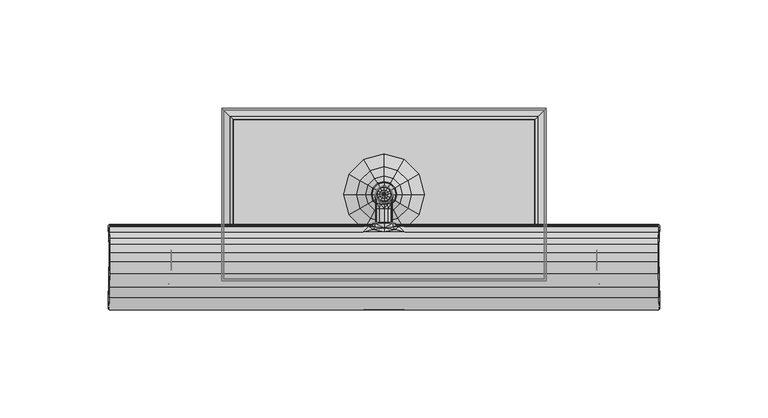
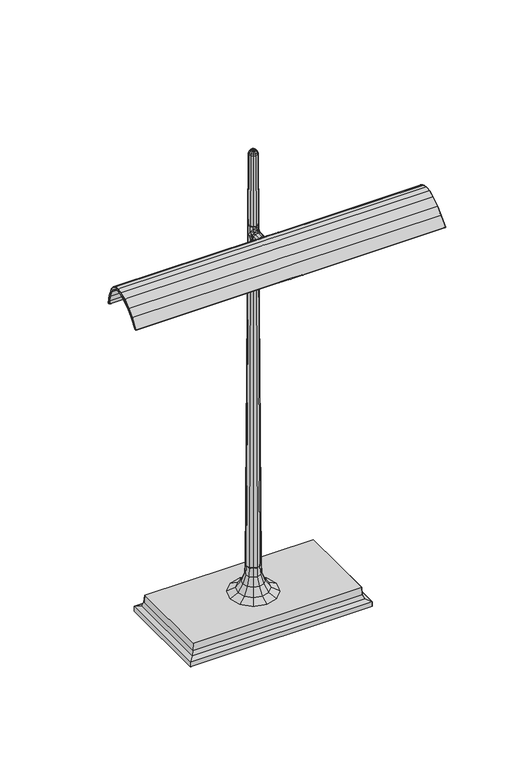
"""IFC4 building model written with IfcOpenShell, lengths in millimetres: furniture geometry."""

from ifc_helpers import new_model, si_unit, origin, place, context, project, spatial, triangles, source, transform, mapped, element, save


def furniture_6f45a37e(model_context):
    return source(origin(), model_context, "Body", "Tessellation", [
        triangles([(-127.7198477, -7.7839379, 320.2980002), (-127.7197568, -8.7874792, 320.2978912), (-127.6392476, -9.027947, 323.3713955), (-127.6289557, -8.0919638, 323.7658845), (-127.5377548, -9.6711893, 327.2512095), (-127.5317959, -8.7425299, 327.4765592), (-127.3871554, -11.5855188, 332.5185479), (-127.3601948, -10.9753986, 333.710154), (-127.3046295, -14.0094385, 335.8616215), (-127.2857626, -13.6003792, 336.8733693), (-127.2614, -16.9895494, 337.8023824), (-127.2389631, -16.640579, 338.6584348), (-127.2471567, -20.1942207, 338.3441734), (-127.2617906, -24.1892757, 337.787921), (-127.2384817, -24.4719937, 338.6802721), (-127.2225942, -20.2577751, 339.285177), (-127.2978894, -29.7204152, 336.4088991), (-127.3195632, -29.2947916, 335.5814787), (-127.4356989, -35.3948372, 331.1442132), (-127.4137344, -35.8936417, 331.9826068), (-127.5526885, -39.9795955, 326.6803505), (-127.5368011, -40.6898628, 327.2851101), (-127.7197568, -45.1411899, 320.2980002), (-127.7188939, -46.3727327, 320.2980366), (-127.2190243, -7.7846044, 319.7841145), (-9.6875219, -7.7844284, 319.7840418), (-9.6875366, -8.787235, 319.7837511), (-127.2190243, -8.787222, 319.7835331), (-127.2191242, -9.287171, 320.2586494), (-9.6875889, -9.2871841, 320.2587221), (-9.6323585, -9.5204059, 323.1638137), (-127.1086749, -9.5205864, 323.1638137), (-127.0907709, -7.5985522, 323.973539), (-9.2641795, -7.5989241, 323.9735026), (-9.6875219, -7.2836863, 320.3104631), (-127.2190243, -7.2834785, 320.3104995), (-126.9967813, -8.2225387, 327.6028596), (-9.2641647, -8.2225529, 327.6028596), (-9.7196045, -10.1900382, 327.1251998), (-127.0036123, -10.1900246, 327.1251998), (-126.8277873, -10.7258033, 334.1877411), (-9.4919147, -10.7256262, 334.1878138), (-9.5141103, -11.8347393, 332.0419782), (-126.8721796, -11.8347291, 332.0419782), (-126.7483408, -13.3977753, 337.3704683), (-9.452196, -13.3978332, 337.3704683), (-9.4684679, -14.210882, 335.3655035), (-126.780897, -14.2108831, 335.3654308), (-126.6867258, -20.2939807, 339.8207548), (-9.4213811, -20.2939875, 339.8208638), (-9.4257175, -16.4409205, 339.1462684), (-126.6953826, -16.4441396, 339.1370029), (-9.4416543, -17.1909542, 337.3097526), (-126.7272574, -17.1909962, 337.3097526), (-126.7570067, -29.9599945, 336.8760218), (-9.456542, -29.9628332, 336.8812903), (-9.4249584, -24.6312023, 339.1815496), (-126.6938474, -24.6283773, 339.1709035), (-126.7132049, -20.1580129, 337.8135736), (-9.4346207, -20.1581219, 337.8136826), (-9.4462371, -24.0257546, 337.2711285), (-126.7364048, -24.0228796, 337.2610637), (-126.8234543, -36.1497852, 332.4226235), (-9.4897653, -36.1533983, 332.4269111), (-126.7857114, -29.0521329, 335.1079974), (-9.4708921, -29.0521057, 335.1079974), (-9.5295362, -35.1282723, 330.6896625), (-126.9030007, -35.128295, 330.6896625), (-126.9990977, -41.0931449, 327.6283304), (-9.5775858, -41.0956111, 327.6306559), (-9.587025, -39.5743695, 326.3349137), (-127.0179737, -39.5743922, 326.3348774), (-127.2191242, -46.7820872, 320.5741462), (-9.6876014, -46.7819147, 320.5741462), (-9.6875423, -44.7351237, 319.9916963), (-127.2190243, -44.7349193, 319.9916236), (-127.2190243, -45.141031, 319.7838238), (-9.6875276, -45.1412399, 319.7838964), (-9.6875423, -46.3727917, 319.7839691), (-127.2190243, -46.3727781, 319.7839691), (-127.6062281, -7.7841275, 319.9671701), (-127.5778142, -8.7869319, 319.9353407), (1.36e-05, -8.7872333, 319.7839691), (1.35e-05, -9.2871824, 320.2588311), (-127.582029, -45.1413217, 319.9401369), (-127.6011503, -46.3728735, 319.9611749), (8e-06, -46.3727872, 319.7839691), (7.9e-06, -46.7817148, 320.5741462), (1.37e-05, -7.7842326, 319.7839691), (1.35e-05, -9.520214, 323.16385), (1.34e-05, -10.1900359, 327.1251998), (1.31e-05, -11.8347405, 332.0419782), (1.29e-05, -13.3978797, 337.3704683), (1.33e-05, -10.7254343, 334.1878501), (1.28e-05, -14.2108684, 335.3655398), (1.19e-05, -20.2939784, 339.8209365), (1.25e-05, -16.4376912, 339.1554611), (1.23e-05, -17.1908963, 337.3097526), (1.04e-05, -29.9656673, 336.8864862), (1.12e-05, -24.634016, 339.1921595), (1.19e-05, -20.1582127, 337.8137552), (1.13e-05, -24.0286205, 337.2811933), (9.5e-06, -36.1569977, 332.4312349), (1.06e-05, -29.0520739, 335.1079974), (9.7e-06, -35.128236, 330.6896625), (8.8e-06, -41.0980592, 327.6329813), (9e-06, -39.5743332, 326.3349137), (8.2e-06, -44.7353145, 319.9917689), (8.2e-06, -45.1414261, 319.7839691), (1.38e-05, -7.2838776, 320.3104268), (-5.2820682, -9.4820997, 331.6901101), (-7.017189, -8.2244974, 327.6023872), (-5.8402356, -7.6024373, 323.9719402), (-3.1077426, -7.3709482, 321.6809464), (1.33e-05, -10.5856354, 333.820031), (1.38e-05, -7.3406249, 320.9701976), (-2.4710011, -7.1683448, 322.4879828), (1.38e-05, -7.1090274, 322.0168997), (-4.8038225, -7.322802, 324.4620993), (-5.7017141, -7.7337837, 327.6279671), (-4.3263001, -8.3677833, 330.795579), (1.36e-05, -8.8273029, 332.8524302), (-2.146856, -6.3582766, 323.2982895), (1.4e-05, -6.3450711, 322.8446108), (-4.1429038, -6.3779611, 325.0063611), (-5.0094581, -6.4264939, 327.7972881), (-4.1678929, -6.4546126, 330.5832009), (1.39e-05, -6.454352, 332.80534), (-1.5807757, -6.2577456, 324.2867466), (1.4e-05, -6.2576344, 323.6601497), (-2.8015982, -6.2574033, 325.9943822), (-2.8016725, -6.2577871, 327.7972518), (-2.8016353, -6.2574033, 329.4283659), (1.4e-05, -6.2575305, 331.0950883), (127.7198658, -7.7840055, 320.2980366), (127.6289648, -8.0920348, 323.7659208), (127.6392476, -9.028014, 323.3713955), (127.719775, -8.7875461, 320.2979276), (127.5317777, -8.7425969, 327.4765592), (127.537773, -9.6712597, 327.2512095), (127.360213, -10.9754656, 333.710154), (127.3871554, -11.5855858, 332.5185479), (127.2857626, -13.6004462, 336.8733693), (127.3046295, -14.0095055, 335.8616578), (127.2389722, -16.640646, 338.6584348), (127.2614182, -16.9896164, 337.8024187), (127.2471385, -20.1942888, 338.3441734), (127.2225851, -20.257841, 339.2852134), (127.2384999, -24.4720618, 338.6803084), (127.2617997, -24.1893416, 337.7879574), (127.2978894, -29.720481, 336.4089355), (127.4137344, -35.8937075, 331.9826431), (127.4356989, -35.3949076, 331.1442495), (127.3195632, -29.294862, 335.581515), (127.5368192, -40.6899309, 327.2851464), (127.5527067, -39.9796682, 326.6803868), (127.718912, -46.3728008, 320.2980729), (127.719775, -45.1412581, 320.2980366), (127.2190334, -7.7846765, 319.7841508), (127.2190334, -8.7872895, 319.7835694), (9.6875571, -8.787239, 319.7837511), (9.6875423, -7.7844313, 319.7840418), (127.2191242, -9.287238, 320.2586858), (127.1086749, -9.5206534, 323.1638137), (9.6323767, -9.5204099, 323.1638137), (9.6876014, -9.287188, 320.2587221), (127.0907709, -7.5986204, 323.9735753), (127.2190334, -7.2835466, 320.3105358), (9.6875423, -7.2836891, 320.3104631), (9.2641999, -7.5989304, 323.9735026), (126.9967995, -8.2226097, 327.6028959), (9.2641852, -8.2225586, 327.6028959), (127.0036214, -10.1900916, 327.1252361), (9.7196227, -10.1900416, 327.1251998), (126.8277873, -10.7258703, 334.1877774), (9.4919335, -10.7256307, 334.1878501), (126.8721705, -11.8347961, 332.0420145), (9.5141211, -11.8347461, 332.0419782), (126.7483408, -13.3978423, 337.3704683), (9.4522068, -13.3978366, 337.3704683), (126.7808788, -14.2109501, 335.3654672), (9.4684792, -14.2108854, 335.3655035), (126.6867076, -20.2940488, 339.8207911), (126.6953826, -16.4442066, 339.1370029), (9.4257266, -16.4409285, 339.1462684), (9.4213902, -20.2939943, 339.8208638), (126.7272665, -17.1910655, 337.3097889), (9.4416708, -17.1909576, 337.3097526), (126.7570067, -29.9600604, 336.8760581), (126.6938293, -24.6284431, 339.1709398), (9.4249658, -24.6312091, 339.1815496), (9.4565551, -29.9628422, 336.8812903), (126.7132049, -20.1580833, 337.8136099), (126.7364139, -24.0229455, 337.2611), (9.4462445, -24.0257614, 337.2711285), (9.4346377, -20.1581241, 337.8136826), (126.8234725, -36.149851, 332.4226235), (9.4897693, -36.1533983, 332.4269111), (126.7857114, -29.0521988, 335.1079974), (126.9029825, -35.1283632, 330.6896988), (9.5295407, -35.1282723, 330.6896625), (9.4709051, -29.0521125, 335.1079974), (126.9990977, -41.093213, 327.6283304), (9.577596, -41.0956111, 327.6306559), (127.0179555, -39.5744603, 326.3349137), (9.5870295, -39.5743695, 326.3349137), (9.6876104, -46.7819147, 320.5741462), (127.2191242, -46.7821554, 320.5741825), (127.2190334, -44.7349829, 319.9916599), (9.6875514, -44.7351237, 319.9916963), (127.2190334, -45.1410991, 319.7838238), (127.2190334, -46.3728508, 319.7839691), (9.6875514, -46.3727917, 319.7839691), (9.6875366, -45.1412399, 319.7838964), (127.5778233, -8.7869989, 319.9353407), (127.6062281, -7.7841996, 319.9671701), (127.6011957, -46.3729416, 319.9611749), (127.582029, -45.1413898, 319.9401732), (7.0172089, -8.2244997, 327.6023872), (5.2820875, -9.4821014, 331.6901101), (5.840256, -7.6024395, 323.9719402), (3.1077551, -7.3709493, 321.6809464), (2.4710136, -7.1683454, 322.4879828), (4.8038356, -7.3228043, 324.4620993), (5.7017345, -7.7337854, 327.6279671), (4.3263123, -8.367785, 330.795579), (2.146869, -6.3582778, 323.2982895), (4.1429242, -6.3779617, 325.0063611), (5.0094712, -6.4264956, 327.7972881), (4.1679133, -6.4546137, 330.5832009), (1.5808036, -6.2577468, 324.2867466), (2.8016112, -6.2574039, 325.9943822), (2.8016856, -6.2577877, 327.7972518), (2.8016558, -6.2574039, 329.4283659)], [[1, 2, 3], [3, 4, 1], [4, 3, 5], [5, 6, 4], [6, 5, 7], [7, 8, 6], [8, 7, 9], [9, 10, 8], [10, 9, 11], [11, 12, 10], [13, 14, 15], [15, 16, 13], [17, 18, 19], [19, 20, 17], [20, 19, 21], [21, 22, 20], [22, 21, 23], [23, 24, 22], [13, 16, 12], [12, 11, 13], [18, 17, 15], [15, 14, 18], [25, 26, 27], [27, 28, 25], [29, 30, 31], [31, 32, 29], [33, 34, 35], [35, 36, 33], [37, 38, 34], [34, 33, 37], [32, 31, 39], [39, 40, 32], [41, 42, 38], [38, 37, 41], [40, 39, 43], [43, 44, 40], [45, 46, 42], [42, 41, 45], [44, 43, 47], [47, 48, 44], [49, 50, 51], [51, 52, 49], [48, 47, 53], [53, 54, 48], [55, 56, 57], [57, 58, 55], [59, 60, 61], [61, 62, 59], [63, 64, 56], [56, 55, 63], [65, 66, 67], [67, 68, 65], [69, 70, 64], [64, 63, 69], [68, 67, 71], [71, 72, 68], [69, 73, 74], [74, 70, 69], [72, 71, 75], [75, 76, 72], [77, 78, 79], [79, 80, 77], [52, 51, 46], [46, 45, 52], [54, 53, 60], [60, 59, 54], [58, 57, 50], [50, 49, 58], [62, 61, 66], [66, 65, 62], [2, 1, 81], [81, 82, 2], [35, 26, 25], [25, 36, 35], [30, 27, 83], [83, 84, 30], [24, 23, 85], [85, 86, 24], [75, 78, 77], [77, 76, 75], [74, 79, 87], [87, 88, 74], [2, 29, 32], [32, 3, 2], [4, 33, 36], [36, 1, 4], [6, 37, 33], [33, 4, 6], [3, 32, 40], [40, 5, 3], [8, 41, 37], [37, 6, 8], [5, 40, 44], [44, 7, 5], [10, 45, 41], [41, 8, 10], [7, 44, 48], [48, 9, 7], [16, 49, 52], [52, 12, 16], [9, 48, 54], [54, 11, 9], [17, 55, 58], [58, 15, 17], [13, 59, 62], [62, 14, 13], [20, 63, 55], [55, 17, 20], [18, 65, 68], [68, 19, 18], [22, 69, 63], [63, 20, 22], [19, 68, 72], [72, 21, 19], [24, 73, 69], [69, 22, 24], [21, 72, 76], [76, 23, 21], [12, 52, 45], [45, 10, 12], [11, 54, 59], [59, 13, 11], [15, 58, 49], [49, 16, 15], [14, 62, 65], [65, 18, 14], [29, 2, 82], [82, 28, 29], [1, 36, 25], [25, 81, 1], [73, 24, 86], [86, 80, 73], [23, 76, 77], [77, 85, 23], [86, 85, 77], [77, 80, 86], [28, 82, 81], [81, 25, 28], [89, 83, 27], [27, 26, 89], [84, 90, 31], [31, 30, 84], [90, 91, 39], [39, 31, 90], [91, 92, 43], [43, 39, 91], [93, 94, 42], [42, 46, 93], [92, 95, 47], [47, 43, 92], [96, 97, 51], [51, 50, 96], [95, 98, 53], [53, 47, 95], [99, 100, 57], [57, 56, 99], [101, 102, 61], [61, 60, 101], [103, 99, 56], [56, 64, 103], [104, 105, 67], [67, 66, 104], [106, 103, 64], [64, 70, 106], [105, 107, 71], [71, 67, 105], [88, 106, 70], [70, 74, 88], [107, 108, 75], [75, 71, 107], [109, 87, 79], [79, 78, 109], [97, 93, 46], [46, 51, 97], [98, 101, 60], [60, 53, 98], [100, 96, 50], [50, 57, 100], [102, 104, 66], [66, 61, 102], [110, 89, 26], [26, 35, 110], [29, 28, 27], [27, 30, 29], [108, 109, 78], [78, 75, 108], [73, 80, 79], [79, 74, 73], [42, 111, 112], [112, 38, 42], [112, 113, 34], [34, 38, 112], [113, 114, 35], [35, 34, 113], [42, 94, 115], [115, 111, 42], [114, 116, 110], [110, 35, 114], [114, 117, 118], [118, 116, 114], [114, 113, 119], [119, 117, 114], [113, 112, 120], [120, 119, 113], [112, 111, 121], [121, 120, 112], [111, 115, 122], [122, 121, 111], [117, 123, 124], [124, 118, 117], [125, 123, 117], [117, 119, 125], [126, 125, 119], [119, 120, 126], [127, 126, 120], [120, 121, 127], [122, 128, 127], [127, 121, 122], [124, 123, 129], [129, 130, 124], [129, 123, 125], [125, 131, 129], [125, 126, 132], [132, 131, 125], [126, 127, 133], [133, 132, 126], [127, 128, 134], [134, 133, 127], [135, 136, 137], [137, 138, 135], [136, 139, 140], [140, 137, 136], [139, 141, 142], [142, 140, 139], [141, 143, 144], [144, 142, 141], [143, 145, 146], [146, 144, 143], [147, 148, 149], [149, 150, 147], [151, 152, 153], [153, 154, 151], [152, 155, 156], [156, 153, 152], [155, 157, 158], [158, 156, 155], [147, 146, 145], [145, 148, 147], [154, 150, 149], [149, 151, 154], [159, 160, 161], [161, 162, 159], [163, 164, 165], [165, 166, 163], [167, 168, 169], [169, 170, 167], [171, 167, 170], [170, 172, 171], [164, 173, 174], [174, 165, 164], [175, 171, 172], [172, 176, 175], [173, 177, 178], [178, 174, 173], [179, 175, 176], [176, 180, 179], [177, 181, 182], [182, 178, 177], [183, 184, 185], [185, 186, 183], [181, 187, 188], [188, 182, 181], [189, 190, 191], [191, 192, 189], [193, 194, 195], [195, 196, 193], [197, 189, 192], [192, 198, 197], [199, 200, 201], [201, 202, 199], [203, 197, 198], [198, 204, 203], [200, 205, 206], [206, 201, 200], [203, 204, 207], [207, 208, 203], [205, 209, 210], [210, 206, 205], [211, 212, 213], [213, 214, 211], [184, 179, 180], [180, 185, 184], [187, 193, 196], [196, 188, 187], [190, 183, 186], [186, 191, 190], [194, 199, 202], [202, 195, 194], [138, 215, 216], [216, 135, 138], [169, 168, 159], [159, 162, 169], [166, 84, 83], [83, 161, 166], [157, 217, 218], [218, 158, 157], [210, 209, 211], [211, 214, 210], [207, 88, 87], [87, 213, 207], [138, 137, 164], [164, 163, 138], [136, 135, 168], [168, 167, 136], [139, 136, 167], [167, 171, 139], [137, 140, 173], [173, 164, 137], [141, 139, 171], [171, 175, 141], [140, 142, 177], [177, 173, 140], [143, 141, 175], [175, 179, 143], [142, 144, 181], [181, 177, 142], [148, 145, 184], [184, 183, 148], [144, 146, 187], [187, 181, 144], [151, 149, 190], [190, 189, 151], [147, 150, 194], [194, 193, 147], [152, 151, 189], [189, 197, 152], [154, 153, 200], [200, 199, 154], [155, 152, 197], [197, 203, 155], [153, 156, 205], [205, 200, 153], [157, 155, 203], [203, 208, 157], [156, 158, 209], [209, 205, 156], [145, 143, 179], [179, 184, 145], [146, 147, 193], [193, 187, 146], [149, 148, 183], [183, 190, 149], [150, 154, 199], [199, 194, 150], [163, 160, 215], [215, 138, 163], [135, 216, 159], [159, 168, 135], [208, 212, 217], [217, 157, 208], [158, 218, 211], [211, 209, 158], [217, 212, 211], [211, 218, 217], [160, 159, 216], [216, 215, 160], [89, 162, 161], [161, 83, 89], [84, 166, 165], [165, 90, 84], [90, 165, 174], [174, 91, 90], [91, 174, 178], [178, 92, 91], [93, 180, 176], [176, 94, 93], [92, 178, 182], [182, 95, 92], [96, 186, 185], [185, 97, 96], [95, 182, 188], [188, 98, 95], [99, 192, 191], [191, 100, 99], [101, 196, 195], [195, 102, 101], [103, 198, 192], [192, 99, 103], [104, 202, 201], [201, 105, 104], [106, 204, 198], [198, 103, 106], [105, 201, 206], [206, 107, 105], [88, 207, 204], [204, 106, 88], [107, 206, 210], [210, 108, 107], [109, 214, 213], [213, 87, 109], [97, 185, 180], [180, 93, 97], [98, 188, 196], [196, 101, 98], [100, 191, 186], [186, 96, 100], [102, 195, 202], [202, 104, 102], [110, 169, 162], [162, 89, 110], [163, 166, 161], [161, 160, 163], [108, 210, 214], [214, 109, 108], [208, 207, 213], [213, 212, 208], [176, 172, 219], [219, 220, 176], [219, 172, 170], [170, 221, 219], [221, 170, 169], [169, 222, 221], [176, 220, 115], [115, 94, 176], [222, 169, 110], [110, 116, 222], [222, 116, 118], [118, 223, 222], [222, 223, 224], [224, 221, 222], [221, 224, 225], [225, 219, 221], [219, 225, 226], [226, 220, 219], [220, 226, 122], [122, 115, 220], [223, 118, 124], [124, 227, 223], [228, 224, 223], [223, 227, 228], [229, 225, 224], [224, 228, 229], [230, 226, 225], [225, 229, 230], [122, 226, 230], [230, 128, 122], [124, 130, 231], [231, 227, 124], [231, 232, 228], [228, 227, 231], [228, 232, 233], [233, 229, 228], [229, 233, 234], [234, 230, 229], [230, 234, 134], [134, 128, 230]], closed=False),
        triangles([(-98.3945482, -19.012751, 323.0471784), (-96.4062703, -17.1047006, 322.4880919), (-96.4062703, -17.6963285, 321.2349343), (-98.3945482, -19.6075877, 321.782975), (-98.3945573, -28.5386582, 324.3439379), (-96.4062703, -30.4499174, 324.8919785), (-96.4062703, -29.7773998, 326.2014916), (-98.3945573, -27.8693449, 325.6423688), (96.4069061, -17.696383, 321.2349343), (96.406888, -30.4499719, 324.8920149), (98.3952023, -19.6076422, 321.7830113), (98.3952023, -19.0128055, 323.0472147), (98.3951569, -27.8693994, 325.6424051), (98.3951569, -28.5387127, 324.3439379), (96.4069061, -17.1047506, 322.4880919), (96.406888, -29.7774543, 326.201528)], [[1, 2, 3], [3, 4, 1], [5, 6, 7], [7, 8, 5], [3, 9, 10], [10, 6, 3], [11, 12, 13], [13, 14, 11], [3, 2, 15], [15, 9, 3], [9, 11, 14], [14, 10, 9], [12, 11, 9], [9, 15, 12], [14, 13, 16], [16, 10, 14], [4, 5, 8], [8, 1, 4], [7, 6, 10], [10, 16, 7], [3, 6, 5], [5, 4, 3]], closed=False),
        triangles([(2.8066345, 5.1502727, 398.3240516), (3.2395731, 6.7660131, 398.3240516), (2.0421008, 6.7660131, 399.7960184), (1.7696031, 5.7490052, 399.7960184), (1.7696035, 7.7830102, 399.7960184), (0.0080923, 6.7660137, 400.5000815), (1.0250968, 8.5275023, 399.7960184), (0.0080926, 8.8000113, 399.7960184), (-1.0088967, 8.5275023, 399.7960184), (-1.7534036, 7.7830108, 399.7960184), (-2.0259013, 6.7660143, 399.7960184), (-1.7534039, 5.7490138, 399.7960184), (-1.0088973, 5.0045138, 399.7960184), (0.008092, 4.732009, 399.7960184), (1.0250963, 5.0045138, 399.7960184), (3.723965, 6.7660131, 319.963682), (3.7249932, 6.7660131, 319.6029845), (3.2270267, 8.6244594, 319.6029845), (3.2261325, 8.6239416, 319.963682), (1.8665359, 9.9849363, 319.6029845), (1.8660292, 9.9840427, 319.963682), (0.0080929, 10.4829039, 319.6029845), (0.0080929, 10.4818786, 319.963682), (-1.8503353, 9.9849363, 319.6029845), (-1.8498435, 9.9840427, 319.963682), (-3.2108264, 8.6244616, 319.6029845), (-3.2099322, 8.6239439, 319.963682), (-3.7087938, 6.7660182, 319.6029845), (-3.7077582, 6.7660182, 319.963682), (-3.210827, 4.9075714, 319.6029845), (-3.2099331, 4.9080818, 319.963682), (-1.8503362, 3.5470911, 319.6029845), (-1.8498445, 3.5479853, 319.963682), (0.0080918, 3.049124, 319.6029845), (0.0080918, 3.0501559, 319.963682), (1.8665349, 3.5470908, 319.6029845), (1.8660283, 3.5479847, 319.963682), (3.2270258, 4.9075703, 319.6029845), (3.2261319, 4.9080807, 319.963682), (3.722758, 6.7660131, 335.9927181), (3.723965, 6.7660131, 335.632057), (3.2261325, 8.6239416, 335.632057), (3.2250896, 8.6233381, 335.9927181), (1.8660292, 9.9840427, 335.632057), (1.8654332, 9.9829958, 335.9927181), (0.0080929, 10.4818786, 335.632057), (0.0080929, 10.4806648, 335.9927181), (-1.8498286, 9.9840427, 335.632057), (-1.8492326, 9.9829958, 335.9927181), (-3.2099322, 8.6239439, 335.632057), (-3.2088816, 8.6233404, 335.9927181), (-3.7077582, 6.7660143, 335.632057), (-3.7065586, 6.7660143, 335.9927181), (-3.2099331, 4.9080892, 335.632057), (-3.2088825, 4.9086887, 335.9927181), (-1.8498445, 3.5479853, 335.632057), (-1.8492335, 3.5490322, 335.9927181), (0.0080918, 3.0501522, 335.632057), (0.0080918, 3.0513629, 335.9927181), (1.8660283, 3.5479811, 335.632057), (1.8654173, 3.5490316, 335.9927181), (3.2261319, 4.9080807, 335.632057), (3.2250887, 4.9086842, 335.9927181), (3.4367605, 8.7455503, 319.964336), (3.9671818, 6.7660131, 319.964336), (3.4367599, 4.7864726, 319.964336), (1.9876366, 3.3373534, 319.964336), (0.0080917, 2.8069428, 319.964336), (-1.971438, 3.3373573, 319.964336), (-3.4205608, 4.7864805, 319.964336), (-3.950975, 6.7660182, 319.964336), (-3.4205602, 8.745552, 319.964336), (-1.9714369, 10.1946709, 319.964336), (0.0080929, 10.725088, 319.964336), (1.9876377, 10.1946709, 319.964336), (3.9681949, 6.7660131, 319.6037476), (3.4376547, 8.7460681, 319.6037476), (1.9881444, 10.1955611, 319.6037476), (0.0080929, 10.7261167, 319.6037476), (-1.9719436, 10.1955611, 319.6037476), (-3.4214541, 8.7460698, 319.6037476), (-3.9520032, 6.7660182, 319.6037476), (-3.4214549, 4.7859628, 319.6037476), (-1.9719447, 3.3364671, 319.6037476), (0.0080917, 2.8059146, 319.6037476), (1.9881431, 3.3364629, 319.6037476), (3.4376538, 4.7859622, 319.6037476), (3.4357025, 8.7449468, 335.9935175), (3.9659598, 6.7660131, 335.9935175), (3.435702, 4.7870835, 335.9935175), (1.9870256, 3.3384037, 335.9935175), (0.0080917, 2.8081535, 335.9935175), (-1.9708271, 3.3384042, 335.9935175), (-3.4195028, 4.787084, 335.9935175), (-3.9497603, 6.7660182, 335.9935175), (-3.4195022, 8.7449485, 335.9935175), (-1.970826, 10.193624, 335.9935175), (0.0080929, 10.7238776, 335.9935175), (1.9870268, 10.193624, 335.9935175), (3.9671818, 6.7660131, 335.6328564), (3.4367605, 8.7455503, 335.6328564), (1.9876377, 10.1946709, 335.6328564), (0.0080929, 10.725088, 335.6328564), (-1.9714369, 10.1946709, 335.6328564), (-3.4205602, 8.745552, 335.6328564), (-3.950975, 6.7660182, 335.6328564), (-3.4205608, 4.7864805, 335.6328564), (-1.971438, 3.3373573, 335.6328564), (0.0080917, 2.8069428, 335.6328564), (1.9876366, 3.3373534, 335.6328564), (3.4367599, 4.7864726, 335.6328564), (0.0080917, 2.8069428, 334.6944689), (-1.971438, 3.3373573, 333.8170515), (-3.4205608, 4.7864805, 331.1740079), (-3.950975, 6.7660182, 327.8058269), (-3.4205608, 4.7864805, 324.4247469), (-1.971438, 3.3373573, 321.8358788), (0.0080917, 2.8069428, 320.9118799), (1.9876366, 3.3373534, 321.8358788), (3.4367599, 4.7864726, 324.4247469), (3.9671818, 6.7660131, 327.8058269), (3.4367599, 4.7864726, 331.1740079), (1.9876366, 3.3373534, 333.8170515), (-1.6619262, 2.2178518, 331.7532967), (0.0078532, 1.9717217, 332.4883172), (-3.2586824, 2.8090965, 329.8584995), (-3.8570533, 3.2354896, 327.8058269), (-3.2613272, 2.8083255, 325.7408366), (-1.6909685, 2.190117, 323.8349573), (0.0077191, 1.9281991, 323.0689794), (1.705185, 2.1935847, 323.8443681), (3.2700604, 2.8106379, 325.7558793), (3.856883, 3.2358723, 327.8058632), (3.267989, 2.8106379, 329.8440745), (1.6732667, 2.2209322, 331.746175), (0.0080913, -0.1004636, 331.6556645), (-1.9714386, -0.1004633, 331.1135828), (-1.9714394, -6.0560774, 331.1135828), (0.0080904, -6.0560779, 331.6556645), (-3.4205616, -0.1004631, 329.576867), (-3.4205625, -6.0560774, 329.576867), (-3.8571879, -0.1004631, 327.8058269), (-3.857189, -6.0560774, 327.8058269), (-3.4205616, -0.1004631, 326.0243222), (-3.4205625, -6.0560774, 326.0243222), (-1.9714386, -0.1004633, 324.4740171), (-1.9714394, -6.0560774, 324.4740171), (0.0080913, -0.1004636, 323.9415278), (0.0080904, -6.0560779, 323.9415278), (1.9876362, -0.1004639, 324.4902952), (1.9876352, -6.0560785, 324.4902952), (3.4367591, -0.1004641, 326.0486303), (3.4367582, -6.0560785, 326.0486303), (3.8569718, -0.1004642, 327.8058269), (3.856971, -6.0560785, 327.8058269), (3.4367591, -0.1004641, 329.5532856), (3.4367582, -6.0560785, 329.5532856), (1.9876362, -0.1004639, 331.1068972), (1.9876352, -6.0560785, 331.1068972), (-71.0579311, 42.7607893, 6.2816138), (-71.0579447, -29.2264205, 6.2816138), (-69.8970917, -28.0658991, 9.2594696), (-69.897078, 41.6002633, 9.2594696), (69.897019, 41.6002406, 9.2594696), (71.0578629, 42.7607666, 6.2816138), (-75.0785704, 46.7821508, 0.500969), (-75.0785841, -33.2477866, 0.500969), (-75.0785704, -33.247605, 4.5080702), (-75.0785387, 46.7819646, 4.5080702), (-74.1411231, 45.844054, 0.5009676), (-74.1411368, -32.3096989, 0.5009676), (-74.1411368, 45.8440858, 9.18e-05), (-74.1411504, -32.3097193, 9.18e-05), (74.1410641, 45.8440313, 0.5009676), (74.1410777, 45.8440631, 9.18e-05), (-69.437077, 41.1399761, 15.5283672), (-69.4370952, -27.6056142, 15.5283672), (69.4370044, -27.6056369, 15.5283672), (69.437018, 41.1399534, 15.5283672), (69.8970054, -28.0659218, 9.2594696), (71.0578493, -29.2264432, 6.2816138), (75.0784796, 46.7819419, 4.5080702), (75.078525, 46.782119, 0.500969), (74.1410641, -32.3097398, 9.18e-05), (74.1410459, -32.3097148, 0.5009676), (75.0785114, -33.2478093, 0.500969), (75.078466, -33.2476277, 4.5080702), (-100.0137808, -28.826806, 331.1360015), (-100.0168511, -26.273771, 330.2839096), (-100.0947988, -28.5492839, 327.8917954), (-100.0932636, -31.6585759, 328.8424278), (-100.0286237, -16.5049587, 327.0234982), (-99.9071739, -17.0928702, 331.928831), (-99.9070559, -15.5181775, 331.4813656), (-100.032239, -13.5106374, 326.0241042), (-99.8650163, -17.9122254, 333.8067687), (-99.8702758, -17.2876814, 333.4261597), (-99.5924221, -31.9739386, 329.2192217), (-99.5130574, -29.1070328, 331.540737), (-100.1023837, -13.1504089, 323.1836889), (-99.6000888, -12.6713661, 323.2841552), (-99.6683077, -12.3100351, 320.4890133), (-100.1693582, -12.8065346, 320.4721902), (-99.4061326, -15.0972048, 331.7347295), (-99.5286178, -13.0498746, 326.2121741), (-99.9076826, -23.5803149, 333.7722141), (-99.406832, -23.7359058, 334.236539), (-99.3677083, -17.1692441, 333.9353582), (-99.8661336, -19.7566634, 334.2916228), (-99.3654737, -19.7168243, 334.777785), (-99.3637387, -17.6797507, 334.2357396), (-100.1691674, -30.7215055, 325.6091223), (-99.6692252, -30.8632506, 325.1148211), (-99.6692615, -34.5035421, 326.158689), (-100.1691311, -34.3617993, 326.6529539), (-99.6688709, -12.5137938, 320.0676727), (-99.6690435, -12.9482785, 319.9775983), (-99.6682078, -34.7107129, 327.0030779), (-99.6681533, -34.8424454, 326.4877387), (-98.7912083, -31.9739386, 329.2192217), (-98.7125703, -29.1070328, 331.540737), (-98.6073441, -23.7359058, 334.236539), (-98.5663764, -19.7168243, 334.777785), (-98.5681568, -17.6601184, 334.0957046), (-98.5685929, -17.1635111, 333.930998), (-98.8663763, -12.3100351, 320.4890133), (-98.8669213, -12.5137938, 320.0676727), (-98.8662128, -34.8424454, 326.4877387), (-98.8662582, -34.7107129, 327.0030779), (-98.8672756, -30.8632506, 325.1148211), (-98.867321, -34.5035421, 326.158689), (-98.8670848, -12.9482785, 319.9775983), (-98.8460469, -12.6705952, 323.2781962), (-98.6539619, -15.0970073, 331.7344388), (-98.7931613, -13.0498564, 326.2121741), (-100.1693127, -17.0218614, 321.68091), (-100.1006033, -16.7694127, 324.2901984), (-0.0002999, -12.3100464, 320.4890133), (-5.0409901, -12.5749955, 322.5385975), (-3.630275, -11.8940766, 323.4771667), (-0.0002997, -11.5824678, 322.3208055), (-6.9509985, -13.0476797, 326.2126828), (-5.3737999, -12.3335631, 326.8077046), (-5.0464443, -15.0725538, 331.6932713), (-3.847087, -13.8030115, 331.1942101), (-0.0003005, -16.4562948, 333.3952023), (-0.0003002, -14.4308506, 332.864784), (-3.2539308, -9.8363897, 323.9832041), (-0.0002995, -9.6176599, 322.8032616), (-5.0145848, -10.5286236, 327.7987052), (-3.5835669, -11.6452523, 331.3044868), (-0.0002999, -12.3526197, 332.8104996), (-0.0003028, -31.97395, 329.2192217), (-0.0003024, -29.1070442, 331.540737), (-0.0003016, -23.7359172, 334.2365753), (-0.000301, -19.7168357, 334.777785), (-0.0003009, -19.2646717, 334.5860816), (-98.566658, -19.3879041, 334.6687074), (-0.0002999, -12.5138051, 320.0676727), (-0.0003032, -34.8424545, 326.487775), (-0.0003032, -34.7107242, 327.0031142), (-0.0003, -12.9482853, 319.9775983), (-0.0003006, -17.1636133, 321.1863544), (-98.8671302, -17.1636042, 321.1863544), (-0.0003032, -34.5035535, 326.158689), (-99.9075736, -22.2914014, 333.4059574), (-99.8633358, -19.0526411, 334.2019117), (-99.3624852, -18.9702174, 334.6825147), (-99.6690798, -17.1636042, 321.1863544), (-0.0003006, -17.0913055, 333.6644809), (-0.0003026, -30.8632642, 325.1148211), (100.0131722, -28.8268605, 331.1360378), (100.0926459, -31.6586281, 328.8424642), (100.0941447, -28.5493384, 327.8918318), (100.0162425, -26.2738232, 330.2839459), (100.028006, -16.505012, 327.0235345), (100.0316122, -13.5106897, 326.0241405), (99.9064291, -15.5182332, 331.4814019), (99.9065744, -17.0929247, 331.9288673), (99.8696581, -17.2877347, 333.4261597), (99.8644077, -17.9122776, 333.8067687), (99.5124397, -29.1070873, 331.5407733), (99.5917862, -31.9739954, 329.219258), (100.101766, -13.1504646, 323.1837253), (100.1687314, -12.8065868, 320.4722265), (99.6677263, -12.3100873, 320.4890133), (99.5994983, -12.6714218, 323.2841552), (99.5280001, -13.0499302, 326.2121741), (99.4055149, -15.0972571, 331.7347658), (99.9070559, -23.5803694, 333.7722505), (99.4062234, -23.7359581, 334.2365753), (99.3670997, -17.1692986, 333.9353582), (99.8655068, -19.7567179, 334.2916228), (99.3648742, -19.7168788, 334.777785), (99.3631483, -17.6798052, 334.2357759), (100.1685315, -30.72156, 325.6091586), (100.1684861, -34.3618515, 326.6529902), (99.6686256, -34.5035989, 326.158689), (99.6685984, -30.8633051, 325.1148574), (99.668444, -12.9483341, 319.9775983), (99.6682532, -12.513846, 320.0677091), (99.6675719, -34.7107696, 327.0031142), (99.6675265, -34.8424976, 326.487775), (98.7119435, -29.1070873, 331.5407733), (98.7905633, -31.9739954, 329.219258), (98.6067537, -23.7359581, 334.2365753), (98.5657678, -19.7168788, 334.777785), (98.5679933, -17.1635656, 333.9310344), (98.5675573, -17.660173, 334.0957046), (98.8663127, -12.513846, 320.0677091), (98.8657768, -12.3100873, 320.4890133), (98.8656314, -34.7107696, 327.0031142), (98.8655769, -34.8424976, 326.487775), (98.8666942, -34.5035989, 326.158689), (98.8666488, -30.8633051, 325.1148574), (98.8665035, -12.9483341, 319.9775983), (98.8454655, -12.6706508, 323.2782326), (98.7925527, -13.049912, 326.2121741), (98.6533624, -15.0970595, 331.7344388), (100.0999765, -16.7694672, 324.2901984), (100.168686, -17.0219148, 321.68091), (3.6296678, -11.8940778, 323.477203), (5.0403906, -12.5749978, 322.5385975), (6.9503916, -13.0476808, 326.2126828), (5.373193, -12.3335654, 326.807741), (5.0458289, -15.072555, 331.6933076), (3.8464793, -13.8030138, 331.1942465), (3.2533094, -9.836392, 323.9832041), (5.0139711, -10.5286247, 327.7987415), (3.5829529, -11.6452546, 331.3045232), (98.5660676, -19.3879586, 334.6687437), (98.8665216, -17.1636587, 321.1863908), (99.906965, -22.2914559, 333.4059937), (99.8627272, -19.0526956, 334.2019481), (99.3618947, -18.9702719, 334.682551), (99.6684894, -17.1636587, 321.1863544), (17.0870293, 16.6265458, 15.5306779), (11.1407512, 13.1934568, 19.0898935), (12.862981, 6.7660154, 19.0898935), (19.7291532, 6.7660148, 15.5306779), (9.8686257, 23.8449517, 15.5306779), (6.4355311, 17.8986736, 19.0898935), (0.0080953, 26.487071, 15.5306779), (0.0080943, 19.6209067, 19.0898935), (-9.8524203, 23.8449562, 15.5306779), (-6.4193427, 17.898677, 19.0898935), (-17.0708353, 16.6265503, 15.5306779), (-11.1245572, 13.1934636, 19.0898935), (-19.7129524, 6.7660205, 15.5306779), (-12.8467824, 6.7660194, 19.0898935), (-17.0708376, -3.094503, 15.5306779), (-11.1245583, 0.3385821, 19.0898935), (-9.8524407, -10.3129095, 15.5306779), (-6.4193461, -4.3666354, 19.0898935), (0.0080894, -12.9550323, 15.5306779), (0.0080904, -6.088868, 19.0898935), (9.8686053, -10.3129209, 15.5306779), (6.4355276, -4.3666411, 19.0898935), (17.0870123, -3.0945229, 15.5306779), (11.1407489, 0.3385676, 19.0898935), (5.563841, 6.7660165, 39.952971), (4.8195289, 9.5438874, 39.952971), (2.7859673, 11.5774354, 39.952971), (0.0080932, 12.3217667, 39.952971), (-2.7697741, 11.5774354, 39.952971), (-4.8033207, 9.5438897, 39.952971), (-5.5476418, 6.7660182, 39.952971), (-4.8033218, 3.9881477, 39.952971), (-2.7697755, 1.9546007, 39.952971), (0.0080915, 1.2102686, 39.952971), (2.7859662, 1.9545997, 39.952971), (4.819513, 3.988142, 39.952971), (5.2320077, 9.7820485, 32.0304963), (6.0401422, 6.7660165, 32.0305008), (8.4742318, 6.766016, 25.1949942), (7.3399709, 10.9990788, 25.1949942), (3.024133, 11.9899283, 32.0304963), (4.2411559, 14.0978949, 25.1949942), (0.0080932, 12.7980742, 32.0305008), (0.0080936, 15.2321462, 25.1949942), (-3.0079315, 11.9899283, 32.0304963), (-4.2249536, 14.0979006, 25.1949942), (-5.2158148, 9.7820508, 32.0304963), (-7.3237774, 10.9990811, 25.1949942), (-6.0239498, 6.7660182, 32.0305008), (-8.4580247, 6.7660188, 25.1949942), (-5.2158159, 3.7499934, 32.0305008), (-7.3237785, 2.5329602, 25.1949942), (-3.0079332, 1.5421067, 32.0305008), (-4.2249709, -0.5658598, 25.1949942), (0.0080914, 0.7339641, 32.0304963), (0.0080911, -1.700107, 25.1949942), (3.0241165, 1.5421059, 32.0305008), (4.2411536, -0.5658648, 25.1949942), (5.2320066, 3.7499883, 32.0305008), (7.3399697, 2.5329466, 25.1949942), (4.8299746, 9.5499292, 39.5926687), (5.5759258, 6.7660165, 39.5926687), (2.7920174, 11.5878953, 39.5926687), (0.0080932, 12.3338436, 39.5926687), (-2.7758165, 11.5878953, 39.5926687), (-4.8137738, 9.5499315, 39.5926687), (-5.5597266, 6.7660182, 39.5926687), (-4.8137749, 3.9821053, 39.5926687), (-2.7758179, 1.9441401, 39.5926687), (0.0080915, 1.1981949, 39.5926687), (2.7920159, 1.9441392, 39.5926687), (4.8299735, 3.9821033, 39.5926687), (5.3623033, 6.7660165, 39.9462173), (5.3743727, 6.7660165, 39.5859104), (4.655437, 9.4491609, 39.5859058), (4.6449617, 9.443118, 39.9462127), (2.6912408, 11.4133511, 39.5859058), (2.6852058, 11.40289, 39.9462127), (0.0080931, 12.1322945, 39.5859104), (0.0080931, 12.1202165, 39.9462173), (-2.67504, 11.4133511, 39.5859058), (-2.669005, 11.40289, 39.9462127), (-4.6392367, 9.4491626, 39.5859058), (-4.6287688, 9.4431202, 39.9462127), (-5.3581736, 6.7660182, 39.5859104), (-5.3460962, 6.7660182, 39.9462173), (-4.6392375, 4.0828815, 39.5859104), (-4.6287696, 4.0889199, 39.9462173), (-2.6750414, 2.1186848, 39.5859104), (-2.6690064, 2.1291455, 39.9462173), (0.0080915, 1.3997405, 39.5859058), (0.0080915, 1.4118216, 39.9462127), (2.6912244, 2.1186838, 39.5859104), (2.6852044, 2.1291445, 39.9462173), (4.6554213, 4.0828767, 39.5859104), (4.6449606, 4.0889191, 39.9462173), (3.0814122, 8.5403848, 396.9937185), (3.5568485, 6.7660131, 396.9937185), (1.7824784, 9.8393192, 396.9937185), (0.0080929, 10.3147592, 396.9937185), (-1.7662779, 9.8393192, 396.9937185), (-3.0652125, 8.5403848, 396.9937185), (-3.5406417, 6.7660143, 396.9937185), (-3.0652128, 4.9916398, 396.9937185), (-1.7662787, 3.6927053, 396.9937185), (0.0080918, 3.2172651, 396.9937185), (1.7824774, 3.692705, 396.9937185), (3.0813969, 4.9916353, 396.9937185), (2.8066348, 8.3817502, 398.3240516), (1.6238257, 9.5645484, 398.3240516), (0.0080928, 9.9974832, 398.3240516), (-1.6076401, 9.5645484, 398.3240516), (-2.7904425, 8.3817502, 398.3240516), (-3.223381, 6.7660143, 398.3240516), (-2.790443, 5.1502738, 398.3240516), (-1.607641, 3.9674682, 398.3240516), (0.0080919, 3.5345368, 398.3240516), (1.6238248, 3.9674671, 398.3240516)], [[1, 2, 3], [3, 4, 1], [5, 6, 3], [7, 6, 5], [8, 6, 7], [9, 6, 8], [10, 6, 9], [11, 6, 10], [12, 6, 11], [13, 6, 12], [14, 6, 13], [15, 6, 14], [4, 6, 15], [3, 6, 4], [16, 17, 18], [18, 19, 16], [19, 18, 20], [20, 21, 19], [21, 20, 22], [22, 23, 21], [23, 22, 24], [24, 25, 23], [25, 24, 26], [26, 27, 25], [27, 26, 28], [28, 29, 27], [29, 28, 30], [30, 31, 29], [31, 30, 32], [32, 33, 31], [33, 32, 34], [34, 35, 33], [35, 34, 36], [36, 37, 35], [37, 36, 38], [38, 39, 37], [39, 38, 17], [17, 16, 39], [40, 41, 42], [42, 43, 40], [43, 42, 44], [44, 45, 43], [45, 44, 46], [46, 47, 45], [47, 46, 48], [48, 49, 47], [49, 48, 50], [50, 51, 49], [51, 50, 52], [52, 53, 51], [53, 52, 54], [54, 55, 53], [55, 54, 56], [56, 57, 55], [57, 56, 58], [58, 59, 57], [59, 58, 60], [60, 61, 59], [61, 60, 62], [62, 63, 61], [63, 62, 41], [41, 40, 63], [64, 65, 16], [16, 19, 64], [65, 66, 39], [39, 16, 65], [66, 67, 37], [37, 39, 66], [67, 68, 35], [35, 37, 67], [68, 69, 33], [33, 35, 68], [69, 70, 31], [31, 33, 69], [70, 71, 29], [29, 31, 70], [71, 72, 27], [27, 29, 71], [72, 73, 25], [25, 27, 72], [73, 74, 23], [23, 25, 73], [74, 75, 21], [21, 23, 74], [75, 64, 19], [19, 21, 75], [76, 77, 18], [18, 17, 76], [77, 78, 20], [20, 18, 77], [78, 79, 22], [22, 20, 78], [79, 80, 24], [24, 22, 79], [80, 81, 26], [26, 24, 80], [81, 82, 28], [28, 26, 81], [82, 83, 30], [30, 28, 82], [83, 84, 32], [32, 30, 83], [84, 85, 34], [34, 32, 84], [85, 86, 36], [36, 34, 85], [86, 87, 38], [38, 36, 86], [87, 76, 17], [17, 38, 87], [88, 89, 40], [40, 43, 88], [89, 90, 63], [63, 40, 89], [90, 91, 61], [61, 63, 90], [91, 92, 59], [59, 61, 91], [92, 93, 57], [57, 59, 92], [93, 94, 55], [55, 57, 93], [94, 95, 53], [53, 55, 94], [95, 96, 51], [51, 53, 95], [96, 97, 49], [49, 51, 96], [97, 98, 47], [47, 49, 97], [98, 99, 45], [45, 47, 98], [99, 88, 43], [43, 45, 99], [100, 101, 42], [42, 41, 100], [101, 102, 44], [44, 42, 101], [102, 103, 46], [46, 44, 102], [103, 104, 48], [48, 46, 103], [104, 105, 50], [50, 48, 104], [105, 106, 52], [52, 50, 105], [106, 107, 54], [54, 52, 106], [107, 108, 56], [56, 54, 107], [108, 109, 58], [58, 56, 108], [109, 110, 60], [60, 58, 109], [110, 111, 62], [62, 60, 110], [111, 100, 41], [41, 62, 111], [112, 109, 108], [108, 113, 112], [113, 108, 107], [107, 114, 113], [114, 107, 106], [106, 115, 114], [70, 116, 115], [115, 71, 70], [70, 69, 117], [117, 116, 70], [69, 68, 118], [118, 117, 69], [118, 68, 67], [67, 119, 118], [119, 67, 66], [66, 120, 119], [121, 100, 111], [111, 122, 121], [111, 110, 123], [123, 122, 111], [110, 109, 112], [112, 123, 110], [120, 66, 65], [65, 121, 120], [113, 124, 125], [125, 112, 113], [114, 126, 124], [124, 113, 114], [114, 115, 127], [127, 126, 114], [116, 128, 127], [127, 115, 116], [116, 117, 129], [129, 128, 116], [117, 118, 130], [130, 129, 117], [119, 131, 130], [130, 118, 119], [120, 132, 131], [131, 119, 120], [120, 121, 133], [133, 132, 120], [122, 134, 133], [133, 121, 122], [122, 123, 135], [135, 134, 122], [123, 112, 125], [125, 135, 123], [136, 137, 138], [138, 139, 136], [137, 140, 141], [141, 138, 137], [140, 142, 143], [143, 141, 140], [142, 144, 145], [145, 143, 142], [144, 146, 147], [147, 145, 144], [146, 148, 149], [149, 147, 146], [148, 150, 151], [151, 149, 148], [150, 152, 153], [153, 151, 150], [152, 154, 155], [155, 153, 152], [154, 156, 157], [157, 155, 154], [156, 158, 159], [159, 157, 156], [158, 136, 139], [139, 159, 158], [124, 137, 136], [136, 125, 124], [126, 140, 137], [137, 124, 126], [142, 140, 126], [126, 127, 142], [128, 144, 142], [142, 127, 128], [146, 144, 128], [128, 129, 146], [148, 146, 129], [129, 130, 148], [131, 150, 148], [148, 130, 131], [132, 152, 150], [150, 131, 132], [154, 152, 132], [132, 133, 154], [134, 156, 154], [154, 133, 134], [158, 156, 134], [134, 135, 158], [136, 158, 135], [135, 125, 136], [160, 161, 162], [162, 163, 160], [163, 164, 165], [165, 160, 163], [166, 167, 168], [168, 169, 166], [166, 170, 171], [171, 167, 166], [172, 173, 171], [171, 170, 172], [170, 174, 175], [175, 172, 170], [176, 177, 178], [178, 179, 176], [164, 163, 176], [176, 179, 164], [179, 178, 180], [180, 164, 179], [180, 181, 165], [165, 164, 180], [182, 183, 166], [166, 169, 182], [165, 182, 169], [169, 160, 165], [174, 170, 166], [166, 183, 174], [175, 184, 173], [173, 172, 175], [176, 163, 162], [162, 177, 176], [162, 161, 181], [181, 180, 162], [160, 169, 168], [168, 161, 160], [171, 173, 184], [184, 185, 171], [180, 178, 177], [177, 162, 180], [186, 183, 182], [182, 187, 186], [187, 168, 167], [167, 186, 187], [187, 182, 165], [165, 181, 187], [181, 161, 168], [168, 187, 181], [185, 174, 183], [183, 186, 185], [185, 186, 167], [167, 171, 185], [184, 175, 174], [174, 185, 184], [188, 189, 190], [190, 191, 188], [192, 193, 194], [194, 195, 192], [193, 196, 197], [197, 194, 193], [188, 191, 198], [198, 199, 188], [200, 201, 202], [202, 203, 200], [195, 194, 204], [204, 205, 195], [206, 188, 199], [199, 207, 206], [194, 197, 208], [208, 204, 194], [209, 206, 207], [207, 210, 209], [196, 211, 208], [208, 197, 196], [212, 213, 214], [214, 215, 212], [203, 202, 216], [216, 217, 203], [218, 215, 214], [214, 219, 218], [199, 198, 220], [220, 221, 199], [207, 199, 221], [221, 222, 207], [207, 222, 223], [223, 210, 207], [208, 211, 224], [224, 225, 208], [202, 226, 227], [227, 216, 202], [219, 228, 229], [229, 218, 219], [213, 230, 231], [231, 214, 213], [216, 227, 232], [232, 217, 216], [214, 231, 228], [228, 219, 214], [201, 233, 226], [226, 202, 201], [204, 234, 235], [235, 205, 204], [208, 225, 234], [234, 204, 208], [200, 203, 236], [236, 237, 200], [215, 218, 198], [198, 191, 215], [195, 205, 201], [201, 200, 195], [198, 218, 229], [229, 220, 198], [205, 235, 233], [233, 201, 205], [238, 239, 240], [240, 241, 238], [242, 243, 240], [240, 239, 242], [244, 245, 243], [243, 242, 244], [244, 246, 247], [247, 245, 244], [248, 249, 241], [241, 240, 248], [243, 250, 248], [248, 240, 243], [245, 251, 250], [250, 243, 245], [252, 251, 245], [245, 247, 252], [253, 254, 221], [221, 220, 253], [254, 255, 222], [222, 221, 254], [255, 256, 223], [223, 222, 255], [256, 257, 258], [258, 223, 256], [238, 259, 227], [227, 226, 238], [260, 261, 229], [229, 228, 260], [262, 263, 264], [264, 232, 262], [259, 262, 232], [232, 227, 259], [265, 260, 228], [228, 231, 265], [239, 238, 226], [226, 233, 239], [234, 244, 242], [242, 235, 234], [225, 246, 244], [244, 234, 225], [261, 253, 220], [220, 229, 261], [242, 239, 233], [233, 235, 242], [189, 192, 237], [237, 190, 189], [189, 188, 206], [206, 266, 189], [266, 206, 209], [209, 267, 266], [209, 210, 268], [268, 267, 209], [236, 269, 213], [213, 212, 236], [210, 223, 258], [258, 268, 210], [269, 264, 230], [230, 213, 269], [212, 215, 191], [191, 190, 212], [270, 224, 258], [258, 257, 270], [265, 231, 230], [230, 271, 265], [192, 189, 266], [266, 193, 192], [193, 266, 267], [267, 196, 193], [267, 268, 211], [211, 196, 267], [268, 258, 224], [224, 211, 268], [236, 212, 190], [190, 237, 236], [195, 200, 237], [237, 192, 195], [203, 217, 269], [269, 236, 203], [217, 232, 264], [264, 269, 217], [246, 225, 224], [224, 270, 246], [272, 273, 274], [274, 275, 272], [276, 277, 278], [278, 279, 276], [279, 278, 280], [280, 281, 279], [272, 282, 283], [283, 273, 272], [284, 285, 286], [286, 287, 284], [277, 288, 289], [289, 278, 277], [290, 291, 282], [282, 272, 290], [278, 289, 292], [292, 280, 278], [293, 294, 291], [291, 290, 293], [281, 280, 292], [292, 295, 281], [296, 297, 298], [298, 299, 296], [285, 300, 301], [301, 286, 285], [302, 303, 298], [298, 297, 302], [282, 304, 305], [305, 283, 282], [291, 306, 304], [304, 282, 291], [291, 294, 307], [307, 306, 291], [292, 308, 309], [309, 295, 292], [286, 301, 310], [310, 311, 286], [303, 302, 312], [312, 313, 303], [299, 298, 314], [314, 315, 299], [301, 300, 316], [316, 310, 301], [298, 303, 313], [313, 314, 298], [287, 286, 311], [311, 317, 287], [289, 288, 318], [318, 319, 289], [292, 289, 319], [319, 308, 292], [284, 320, 321], [321, 285, 284], [297, 273, 283], [283, 302, 297], [277, 284, 287], [287, 288, 277], [283, 305, 312], [312, 302, 283], [288, 287, 317], [317, 318, 288], [238, 241, 322], [322, 323, 238], [324, 323, 322], [322, 325, 324], [326, 324, 325], [325, 327, 326], [326, 327, 247], [247, 246, 326], [328, 322, 241], [241, 249, 328], [325, 322, 328], [328, 329, 325], [327, 325, 329], [329, 330, 327], [252, 247, 327], [327, 330, 252], [253, 305, 304], [304, 254, 253], [254, 304, 306], [306, 255, 254], [255, 306, 307], [307, 256, 255], [256, 307, 331], [331, 257, 256], [238, 311, 310], [310, 259, 238], [260, 313, 312], [312, 261, 260], [262, 316, 332], [332, 263, 262], [259, 310, 316], [316, 262, 259], [265, 314, 313], [313, 260, 265], [323, 317, 311], [311, 238, 323], [319, 318, 324], [324, 326, 319], [308, 319, 326], [326, 246, 308], [261, 312, 305], [305, 253, 261], [324, 318, 317], [317, 323, 324], [275, 274, 320], [320, 276, 275], [275, 333, 290], [290, 272, 275], [333, 334, 293], [293, 290, 333], [293, 334, 335], [335, 294, 293], [321, 296, 299], [299, 336, 321], [294, 335, 331], [331, 307, 294], [336, 299, 315], [315, 332, 336], [296, 274, 273], [273, 297, 296], [270, 257, 331], [331, 309, 270], [265, 271, 315], [315, 314, 265], [276, 279, 333], [333, 275, 276], [279, 281, 334], [334, 333, 279], [334, 281, 295], [295, 335, 334], [335, 295, 309], [309, 331, 335], [321, 320, 274], [274, 296, 321], [277, 276, 320], [320, 284, 277], [285, 321, 336], [336, 300, 285], [300, 336, 332], [332, 316, 300], [246, 270, 309], [309, 308, 246], [337, 338, 339], [339, 340, 337], [341, 342, 338], [338, 337, 341], [343, 344, 342], [342, 341, 343], [345, 346, 344], [344, 343, 345], [347, 348, 346], [346, 345, 347], [349, 350, 348], [348, 347, 349], [351, 352, 350], [350, 349, 351], [353, 354, 352], [352, 351, 353], [355, 356, 354], [354, 353, 355], [357, 358, 356], [356, 355, 357], [359, 360, 358], [358, 357, 359], [340, 339, 360], [360, 359, 340], [357, 355, 353], [353, 351, 349], [349, 347, 345], [353, 349, 345], [345, 343, 341], [341, 337, 340], [345, 341, 340], [353, 345, 340], [357, 353, 340], [359, 357, 340], [361, 362, 77], [77, 76, 361], [362, 363, 78], [78, 77, 362], [363, 364, 79], [79, 78, 363], [364, 365, 80], [80, 79, 364], [365, 366, 81], [81, 80, 365], [366, 367, 82], [82, 81, 366], [367, 368, 83], [83, 82, 367], [368, 369, 84], [84, 83, 368], [369, 370, 85], [85, 84, 369], [370, 371, 86], [86, 85, 370], [371, 372, 87], [87, 86, 371], [372, 361, 76], [76, 87, 372], [373, 374, 375], [375, 376, 373], [377, 373, 376], [376, 378, 377], [379, 377, 378], [378, 380, 379], [381, 379, 380], [380, 382, 381], [383, 381, 382], [382, 384, 383], [385, 383, 384], [384, 386, 385], [387, 385, 386], [386, 388, 387], [389, 387, 388], [388, 390, 389], [391, 389, 390], [390, 392, 391], [393, 391, 392], [392, 394, 393], [395, 393, 394], [394, 396, 395], [374, 395, 396], [396, 375, 374], [376, 375, 339], [339, 338, 376], [378, 376, 338], [338, 342, 378], [380, 378, 342], [342, 344, 380], [382, 380, 344], [344, 346, 382], [384, 382, 346], [346, 348, 384], [386, 384, 348], [348, 350, 386], [388, 386, 350], [350, 352, 388], [390, 388, 352], [352, 354, 390], [392, 390, 354], [354, 356, 392], [394, 392, 356], [356, 358, 394], [396, 394, 358], [358, 360, 396], [375, 396, 360], [360, 339, 375], [397, 398, 374], [374, 373, 397], [399, 397, 373], [373, 377, 399], [400, 399, 377], [377, 379, 400], [401, 400, 379], [379, 381, 401], [402, 401, 381], [381, 383, 402], [403, 402, 383], [383, 385, 403], [404, 403, 385], [385, 387, 404], [405, 404, 387], [387, 389, 405], [406, 405, 389], [389, 391, 406], [407, 406, 391], [391, 393, 407], [408, 407, 393], [393, 395, 408], [398, 408, 395], [395, 374, 398], [409, 410, 411], [411, 412, 409], [412, 411, 413], [413, 414, 412], [414, 413, 415], [415, 416, 414], [416, 415, 417], [417, 418, 416], [418, 417, 419], [419, 420, 418], [420, 419, 421], [421, 422, 420], [422, 421, 423], [423, 424, 422], [424, 423, 425], [425, 426, 424], [426, 425, 427], [427, 428, 426], [428, 427, 429], [429, 430, 428], [430, 429, 431], [431, 432, 430], [432, 431, 410], [410, 409, 432], [362, 361, 409], [409, 412, 362], [361, 372, 432], [432, 409, 361], [372, 371, 430], [430, 432, 372], [371, 370, 428], [428, 430, 371], [370, 369, 426], [426, 428, 370], [369, 368, 424], [424, 426, 369], [368, 367, 422], [422, 424, 368], [367, 366, 420], [420, 422, 367], [366, 365, 418], [418, 420, 366], [365, 364, 416], [416, 418, 365], [364, 363, 414], [414, 416, 364], [363, 362, 412], [412, 414, 363], [398, 397, 411], [411, 410, 398], [397, 399, 413], [413, 411, 397], [399, 400, 415], [415, 413, 399], [400, 401, 417], [417, 415, 400], [401, 402, 419], [419, 417, 401], [402, 403, 421], [421, 419, 402], [403, 404, 423], [423, 421, 403], [404, 405, 425], [425, 423, 404], [405, 406, 427], [427, 425, 405], [406, 407, 429], [429, 427, 406], [407, 408, 431], [431, 429, 407], [408, 398, 410], [410, 431, 408], [65, 64, 101], [101, 100, 121], [65, 101, 121], [64, 75, 102], [102, 101, 64], [75, 74, 103], [103, 102, 75], [74, 73, 104], [104, 103, 74], [73, 72, 105], [105, 104, 73], [72, 71, 115], [72, 115, 106], [72, 106, 105], [89, 88, 433], [433, 434, 89], [88, 99, 435], [435, 433, 88], [99, 98, 436], [436, 435, 99], [98, 97, 437], [437, 436, 98], [97, 96, 438], [438, 437, 97], [96, 95, 439], [439, 438, 96], [95, 94, 440], [440, 439, 95], [94, 93, 441], [441, 440, 94], [93, 92, 442], [442, 441, 93], [92, 91, 443], [443, 442, 92], [91, 90, 444], [444, 443, 91], [90, 89, 434], [434, 444, 90], [433, 445, 2], [2, 434, 433], [435, 446, 445], [445, 433, 435], [436, 447, 446], [446, 435, 436], [437, 448, 447], [447, 436, 437], [438, 449, 448], [448, 437, 438], [439, 450, 449], [449, 438, 439], [440, 451, 450], [450, 439, 440], [441, 452, 451], [451, 440, 441], [442, 453, 452], [452, 441, 442], [443, 454, 453], [453, 442, 443], [444, 1, 454], [454, 443, 444], [444, 434, 2], [2, 1, 444], [445, 5, 3], [3, 2, 445], [446, 7, 5], [5, 445, 446], [447, 8, 7], [7, 446, 447], [448, 9, 8], [8, 447, 448], [449, 10, 9], [9, 448, 449], [450, 11, 10], [10, 449, 450], [451, 12, 11], [11, 450, 451], [452, 13, 12], [12, 451, 452], [453, 14, 13], [13, 452, 453], [454, 15, 14], [14, 453, 454], [1, 4, 15], [15, 454, 1]], closed=False),
    ])


if __name__ == "__main__":
    model = new_model("IFC4")
    model_context = context("Model", 3, world=origin())
    ifc_project = project(units=[si_unit("LENGTHUNIT", "METRE", prefix="MILLI")], contexts=[model_context])
    site = spatial("IfcSite", under=ifc_project)
    building = spatial("IfcBuilding", under=site)
    placement = place(None, origin())
    furniture_shape = furniture_6f45a37e(model_context)
    element("IfcFurniture", 1, at=placement, inside=building, context=model_context, shape_type="MappedRepresentation", body=[
        mapped(furniture_shape, transform((0.0, 0.0, 0.0), x_axis=(1.0, 0.0, 0.0), y_axis=(0.0, 1.0, 0.0), z_axis=(0.0, 0.0, 1.0))),
    ])
    save(model, "model.ifc")
